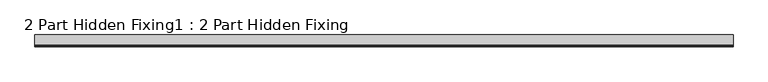
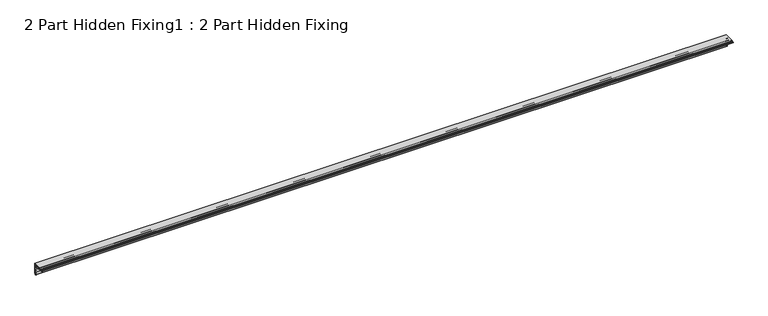
"""IFC4 building model written with IfcOpenShell, lengths in millimetres: proxy geometry, 2 Part Hidden Fixing1 : 2 Part Hidden Fixing."""

from ifc_helpers import new_model, si_unit, point, frame, frame_2d, origin, place, context, project, spatial, polyline, circle_curve, trimmed, segment, composite_curve, outline, extrude, source, transform, mapped, element, save


def proxy_2_part_hidden_fixing1_2_part_hidden_fixing_09f25cb5(model_context):
    return source(origin(), model_context, "Body", "SweptSolid", [
        extrude(outline(composite_curve([segment(trimmed(circle_curve(frame_2d((877.4348481, 1421.1887038)), 25.0), [point((902.4348481, 1421.1887038))], [point((877.4348481, 1446.1887038))], True, "CARTESIAN"), True, "CONTINUOUS"), segment(polyline([(877.4348481, 1446.1887038), (869.3848481, 1446.1887038)]), True, "CONTINUOUS"), segment(trimmed(circle_curve(frame_2d((869.3848481, 1448.2293878)), 2.040684), [point((869.3848481, 1446.1887038))], [point((867.4065069, 1448.7299448))], False, "CARTESIAN"), True, "CONTINUOUS"), segment(trimmed(circle_curve(frame_2d((868.2974862, 1448.5045105)), 0.9190564), [point((867.4065069, 1448.7299448))], [point((869.2162114, 1448.52918))], False, "CARTESIAN"), True, "CONTINUOUS"), segment(trimmed(circle_curve(frame_2d((870.0981692, 1448.5528622)), 0.8822757), [point((869.2162114, 1448.52918))], [point((870.9804315, 1448.5577178))], True, "CARTESIAN"), True, "CONTINUOUS"), segment(polyline([(870.9804315, 1448.5577178), (870.9848505, 1450.3406866)]), True, "CONTINUOUS"), segment(trimmed(circle_curve(frame_2d((872.2398637, 1450.1876808)), 1.2643057), [point((870.9848505, 1450.3406866))], [point((872.6348481, 1451.3887038))], False, "CARTESIAN"), True, "CONTINUOUS"), segment(polyline([(872.6348481, 1451.3887038), (907.6348481, 1451.3887038), (907.6348481, 1416.3887038)]), True, "CONTINUOUS"), segment(trimmed(circle_curve(frame_2d((906.4338251, 1415.9937194)), 1.2643057), [point((907.6348481, 1416.3887038))], [point((906.5868308, 1414.7387063))], False, "CARTESIAN"), True, "CONTINUOUS"), segment(polyline([(906.5868308, 1414.7387063), (904.8038621, 1414.7342873)]), True, "CONTINUOUS"), segment(trimmed(circle_curve(frame_2d((904.7990064, 1413.8520249)), 0.8822757), [point((904.8038621, 1414.7342873))], [point((904.7753243, 1412.9700671))], True, "CARTESIAN"), True, "CONTINUOUS"), segment(trimmed(circle_curve(frame_2d((904.7506548, 1412.0513419)), 0.9190564), [point((904.7753243, 1412.9700671))], [point((904.9760891, 1411.1603626))], False, "CARTESIAN"), True, "CONTINUOUS"), segment(trimmed(circle_curve(frame_2d((904.4755321, 1413.1387038)), 2.040684), [point((904.9760891, 1411.1603626))], [point((902.4348481, 1413.1387038))], False, "CARTESIAN"), True, "CONTINUOUS"), segment(polyline([(902.4348481, 1413.1387038), (902.4348481, 1421.1887038)]), True, "CONTINUOUS")], self_intersect=False), holes=[composite_curve([segment(polyline([(896.7961769, 1439.1358191), (903.2542803, 1445.5939225), (905.4348481, 1445.5939225), (905.4348481, 1449.1887038), (901.8400667, 1449.1887038), (901.8400667, 1447.008136), (895.3819633, 1440.5500326)]), True, "CONTINUOUS"), segment(trimmed(circle_curve(frame_2d((877.4348481, 1421.1887038)), 26.4), [point((895.3819633, 1440.5500326))], [point((896.7961769, 1439.1358191))], False, "CARTESIAN"), True, "CONTINUOUS")], self_intersect=False), composite_curve([segment(trimmed(circle_curve(frame_2d((904.8030406, 1417.5633696)), 0.9753373), [point((903.8348481, 1417.6812086))], [point((905.4348481, 1418.3064054))], True, "CARTESIAN"), True, "CONTINUOUS"), segment(polyline([(905.4348481, 1418.3064054), (905.4348481, 1442.408045), (903.1392907, 1440.8120281)]), True, "CONTINUOUS"), segment(trimmed(circle_curve(frame_2d((902.6462917, 1441.5211106)), 0.8636238), [point((903.1392907, 1440.8120281))], [point((901.9372092, 1442.0141097))], False, "CARTESIAN"), True, "CONTINUOUS"), segment(polyline([(901.9372092, 1442.0141097), (897.850193, 1437.9270935)]), True, "CONTINUOUS"), segment(trimmed(circle_curve(frame_2d((877.4348481, 1421.1887038)), 26.4), [point((897.850193, 1437.9270935))], [point((903.664474, 1424.1831525))], False, "CARTESIAN"), True, "CONTINUOUS"), segment(trimmed(circle_curve(frame_2d((897.7016489, 1418.9988618)), 7.901402), [point((903.664474, 1424.1831525))], [point((904.6348481, 1422.7887038))], False, "CARTESIAN"), True, "CONTINUOUS"), segment(trimmed(circle_curve(frame_2d((903.4014705, 1422.114512)), 1.4056154), [point((904.6348481, 1422.7887038))], [point((904.4179545, 1421.1436798))], False, "CARTESIAN"), True, "CONTINUOUS"), segment(trimmed(circle_curve(frame_2d((905.9411372, 1419.6889055)), 2.1062891), [point((904.4179545, 1421.1436798))], [point((903.8348481, 1419.6889055))], True, "CARTESIAN"), True, "CONTINUOUS"), segment(polyline([(903.8348481, 1419.6889055), (903.8348481, 1417.6812086)]), True, "CONTINUOUS")], self_intersect=False), composite_curve([segment(polyline([(894.1732378, 1441.6040488), (898.2602539, 1445.6910649)]), True, "CONTINUOUS"), segment(trimmed(circle_curve(frame_2d((897.7672549, 1446.4001474)), 0.8636238), [point((898.2602539, 1445.6910649))], [point((897.0581724, 1446.8931465))], False, "CARTESIAN"), True, "CONTINUOUS"), segment(polyline([(897.0581724, 1446.8931465), (898.6541893, 1449.1887038), (874.5525497, 1449.1887038)]), True, "CONTINUOUS"), segment(trimmed(circle_curve(frame_2d((873.8095139, 1448.5568964)), 0.9753373), [point((874.5525497, 1449.1887038))], [point((873.9273529, 1447.5887038))], True, "CARTESIAN"), True, "CONTINUOUS"), segment(polyline([(873.9273529, 1447.5887038), (875.9350498, 1447.5887038)]), True, "CONTINUOUS"), segment(trimmed(circle_curve(frame_2d((875.9350498, 1449.6949929)), 2.1062891), [point((875.9350498, 1447.5887038))], [point((877.3898241, 1448.1718102))], True, "CARTESIAN"), True, "CONTINUOUS"), segment(trimmed(circle_curve(frame_2d((878.3606563, 1447.1553263)), 1.4056154), [point((877.3898241, 1448.1718102))], [point((879.0348481, 1448.3887038))], False, "CARTESIAN"), True, "CONTINUOUS"), segment(trimmed(circle_curve(frame_2d((875.2450061, 1441.4555046)), 7.901402), [point((879.0348481, 1448.3887038))], [point((880.4292968, 1447.4183297))], False, "CARTESIAN"), True, "CONTINUOUS"), segment(trimmed(circle_curve(frame_2d((877.4348481, 1421.1887038)), 26.4), [point((880.4292968, 1447.4183297))], [point((894.1732378, 1441.6040488))], False, "CARTESIAN"), True, "CONTINUOUS")], self_intersect=False)]), frame((-2519.6640929, 0.0, 0.0), z_axis=(1.0, 0.0, 0.0), x_axis=(0.0, 1.0, 0.0)), (0.0, 0.0, 1.0), 2410.0),
    ])


if __name__ == "__main__":
    model = new_model("IFC4")
    model_context = context("Model", 3, world=origin())
    ifc_project = project(units=[si_unit("LENGTHUNIT", "METRE", prefix="MILLI")], contexts=[model_context])
    site = spatial("IfcSite", under=ifc_project)
    building = spatial("IfcBuilding", under=site)
    placement = place(None, origin())
    proxy_2_part_hidden_fixing1_2_part_hidden_fixing_shape = proxy_2_part_hidden_fixing1_2_part_hidden_fixing_09f25cb5(model_context)
    element("IfcBuildingElementProxy", 1, Name="2 Part Hidden Fixing1 : 2 Part Hidden Fixing", ObjectType="2 Part Hidden Fixing1 : 2 Part Hidden Fixing", at=placement, inside=building, context=model_context, shape_type="MappedRepresentation", body=[
        mapped(proxy_2_part_hidden_fixing1_2_part_hidden_fixing_shape, transform((0.0, 0.0, 0.0), x_axis=(1.0, 0.0, 0.0), y_axis=(0.0, 1.0, 0.0), z_axis=(0.0, 0.0, 1.0))),
    ])
    save(model, "model.ifc")
